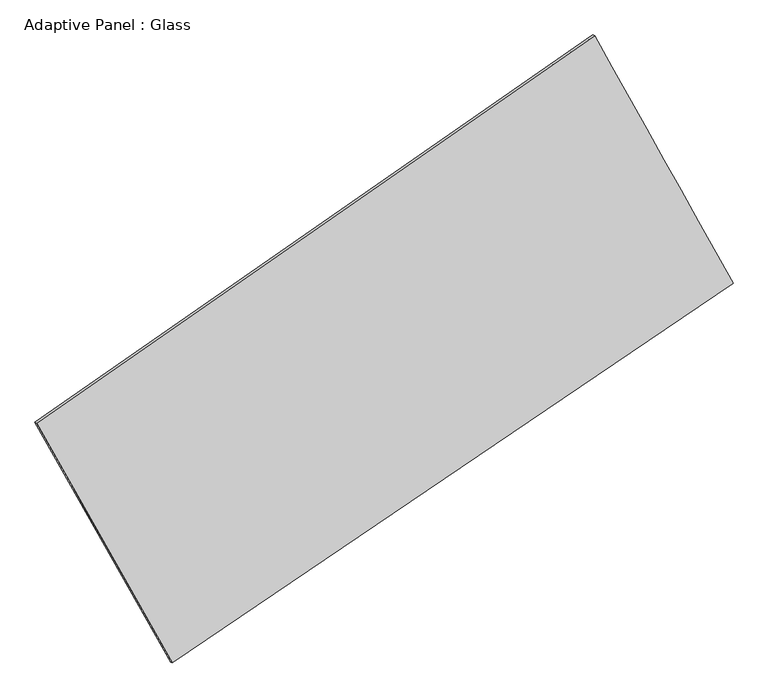
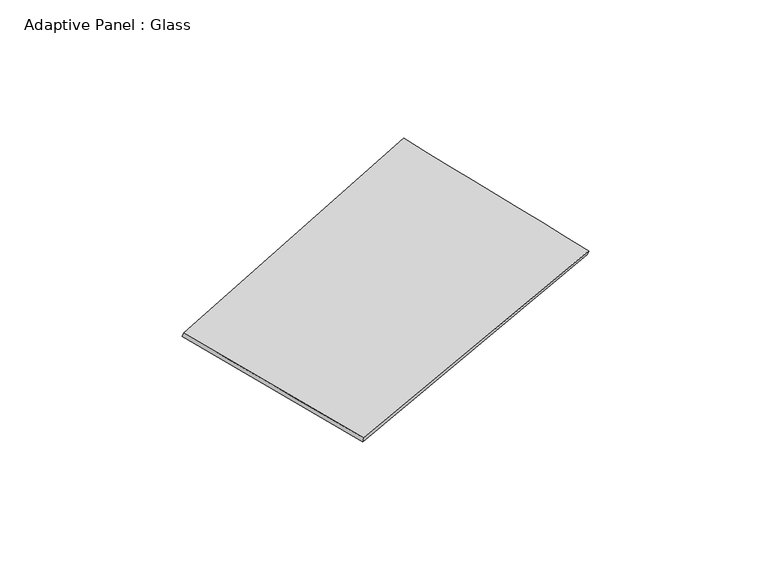
"""IFC4 building model written with IfcOpenShell, lengths in millimetres: plate geometry, Adaptive Panel : Glass."""

from ifc_helpers import new_model, si_unit, frame, origin, place, context, project, spatial, source, transform, mapped, element, save
from ifc_brep_helpers import plane_surface, spline_surface, advanced_brep


def adaptive_panel_glass_bea59a46(model_context):
    return source(origin(), model_context, "Body", "AdvancedBrep", [
        advanced_brep(
        [(1148.2674825, 2597.1344094, 690.9866363), (-3621.1797416, -713.8245497, 1694.3129142), (-3606.5133858, -720.2046432, 1741.6858222), (1162.9338383, 2590.7543159, 738.3595443), (-2461.7685409, -2764.147496, 1087.0596912), (-2447.1021851, -2770.5275894, 1134.4325992), (2331.3902219, 480.5890634, 12.7632786), (2346.0565778, 474.20897, 60.1361866)],
        [
            (0, 1),
            (1, 2),
            (2, 3),
            (3, 0),
            (1, 4),
            (4, 5),
            (5, 2),
            (4, 6),
            (6, 7),
            (7, 5),
            (6, 0),
            (3, 7),
        ],
        [
            plane_surface(frame((-1236.4561296, 941.6549298, 1192.6497752), z_axis=(-0.5106841924212676, 0.8168917992736098, 0.2681220690106701), x_axis=(-0.809465942740823, -0.5619327333568914, 0.17028355976066456))),
            plane_surface(frame((-3041.4741413, -1738.9860229, 1390.6863027), z_axis=(-0.8305207433954876, -0.5248585664199044, 0.1864370672517927), x_axis=(0.4766433043448001, -0.842904315140841, -0.24964670224182842))),
            plane_surface(frame((-65.1891595, -1141.7792163, 549.9114849), z_axis=(0.498929353127086, -0.8249503359690074, -0.2655681527834428), x_axis=(0.8141934236410248, 0.5511695520290614, -0.1824861469147476))),
            plane_surface(frame((1739.8288522, 1538.8617364, 351.8749574), z_axis=(0.8308652459573614, 0.5242457271820532, -0.18662625911584224), x_axis=(-0.46989546356564355, 0.8406186639285154, 0.2693668783935149))),
            spline_surface(1, 1, [[(-3606.5133858, -720.2046432, 1741.6858222), (1162.9338383, 2590.7543159, 738.3595443)], [(-2447.1021851, -2770.5275894, 1134.4325992), (2346.0565778, 474.20897, 60.1361866)]], [2, 2], [2, 2], [0.0, 1.0], [0.0, 1.0]),
            spline_surface(1, 1, [[(2331.3902219, 480.5890634, 12.7632786), (1148.2674825, 2597.1344094, 690.9866363)], [(-2461.7685409, -2764.147496, 1087.0596912), (-3621.1797416, -713.8245497, 1694.3129142)]], [2, 2], [2, 2], [0.0, 1.0], [0.0, 1.0]),
        ],
        [
            (0, [[1, 2, 3, 4]]),
            (1, [[5, 6, 7, -2]]),
            (2, [[8, 9, 10, -6]]),
            (3, [[11, -4, 12, -9]]),
            (4, [[-3, -7, -10, -12]]),
            (5, [[-11, -8, -5, -1]]),
        ],
    ),
    ])


if __name__ == "__main__":
    model = new_model("IFC4")
    model_context = context("Model", 3, world=origin())
    ifc_project = project(units=[si_unit("LENGTHUNIT", "METRE", prefix="MILLI")], contexts=[model_context])
    site = spatial("IfcSite", under=ifc_project)
    building = spatial("IfcBuilding", under=site)
    placement = place(None, origin())
    adaptive_panel_glass_shape = adaptive_panel_glass_bea59a46(model_context)
    element("IfcPlate", 1, ObjectType="Adaptive Panel : Glass", at=placement, inside=building, context=model_context, shape_type="MappedRepresentation", body=[
        mapped(adaptive_panel_glass_shape, transform((0.0, 0.0, 0.0), x_axis=(1.0, 0.0, 0.0), y_axis=(0.0, 1.0, 0.0), z_axis=(0.0, 0.0, 1.0))),
    ])
    save(model, "model.ifc")
